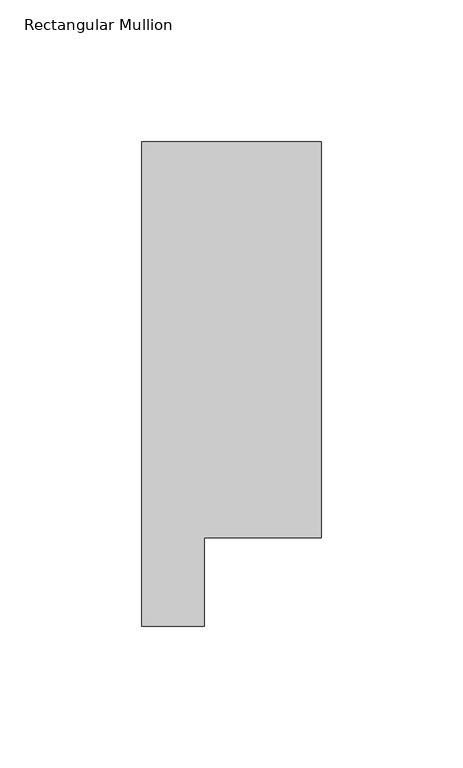
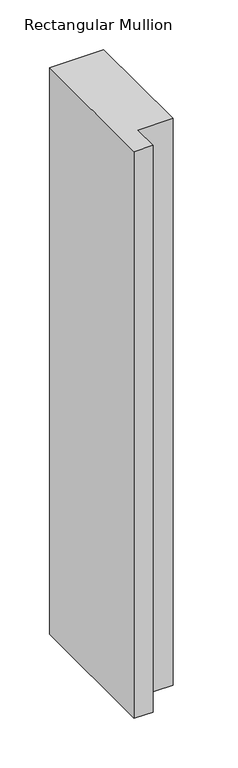
"""IFC4 building model written with IfcOpenShell, lengths in millimetres: member geometry, Rectangular Mullion."""

from ifc_helpers import new_model, si_unit, frame, origin, place, context, project, spatial, polyline, outline, extrude, source, transform, mapped, element, save


def rectangular_mullion_00d37c02(model_context):
    return source(origin(), model_context, "Body", "SweptSolid", [
        extrude(outline(polyline([(0.0, 190.7881312), (0.0, 50.820278), (-41.2877, 50.820278), (-41.2877, 19.578278), (-63.5, 19.578278), (-63.5, 190.7881312), (0.0, 190.7881312)])), frame((0.0, 0.0, -698.5), z_axis=(0.0, 0.0, 1.0), x_axis=(1.0, 0.0, 0.0)), (0.0, 0.0, 1.0), 698.5),
    ])


if __name__ == "__main__":
    model = new_model("IFC4")
    model_context = context("Model", 3, world=origin())
    ifc_project = project(units=[si_unit("LENGTHUNIT", "METRE", prefix="MILLI")], contexts=[model_context])
    site = spatial("IfcSite", under=ifc_project)
    building = spatial("IfcBuilding", under=site)
    placement = place(None, origin())
    rectangular_mullion_shape = rectangular_mullion_00d37c02(model_context)
    element("IfcMember", 1, ObjectType="Rectangular Mullion", at=placement, inside=building, context=model_context, shape_type="MappedRepresentation", body=[
        mapped(rectangular_mullion_shape, transform((0.0, 0.0, 0.0), x_axis=(1.0, 0.0, 0.0), y_axis=(0.0, 1.0, 0.0), z_axis=(0.0, 0.0, 1.0))),
    ])
    save(model, "model.ifc")
